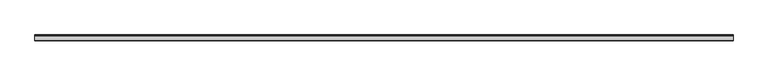
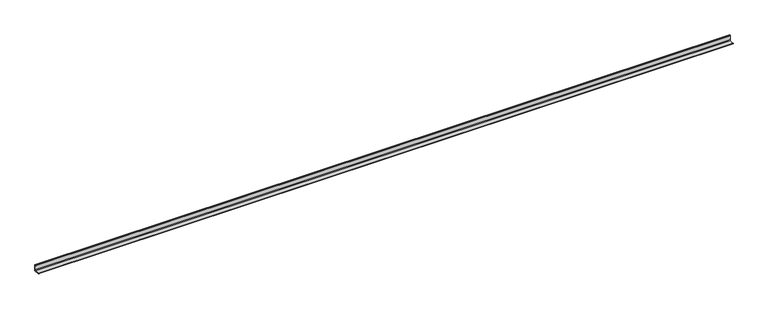
"""IFC4 building model written with IfcOpenShell, lengths in millimetres: beam geometry."""

from ifc_helpers import new_model, si_unit, point, frame, frame_2d, origin, place, context, project, spatial, polyline, circle_curve, trimmed, segment, composite_curve, outline, extrude, source, transform, mapped, element, save


def beam_36c65ba9(model_context):
    return source(origin(), model_context, "Body", "SweptSolid", [
        extrude(outline(composite_curve([segment(polyline([(21.3, -21.3), (-53.7, -21.3), (-53.7, -18.3)]), True, "CONTINUOUS"), segment(trimmed(circle_curve(frame_2d((-48.7, -18.3)), 5.0), [point((-53.7, -18.3))], [point((-48.7, -13.3))], False, "CARTESIAN"), True, "CONTINUOUS"), segment(polyline([(-48.7, -13.3), (5.3, -13.3)]), True, "CONTINUOUS"), segment(trimmed(circle_curve(frame_2d((5.3, -5.3)), 8.0), [point((5.3, -13.3))], [point((13.3, -5.3))], True, "CARTESIAN"), True, "CONTINUOUS"), segment(polyline([(13.3, -5.3), (13.3, 48.7)]), True, "CONTINUOUS"), segment(trimmed(circle_curve(frame_2d((18.3, 48.7)), 5.0), [point((13.3, 48.7))], [point((18.3, 53.7))], False, "CARTESIAN"), True, "CONTINUOUS"), segment(polyline([(18.3, 53.7), (21.3, 53.7), (21.3, -21.3)]), True, "CONTINUOUS")], self_intersect=False)), frame((-4498.5, 0.0, 0.0), z_axis=(1.0, 0.0, 0.0), x_axis=(0.0, 1.0, 0.0)), (0.0, 0.0, 1.0), 8863.0),
    ])


if __name__ == "__main__":
    model = new_model("IFC4")
    model_context = context("Model", 3, world=origin())
    ifc_project = project(units=[si_unit("LENGTHUNIT", "METRE", prefix="MILLI")], contexts=[model_context])
    site = spatial("IfcSite", under=ifc_project)
    building = spatial("IfcBuilding", under=site)
    placement = place(None, origin())
    beam_shape = beam_36c65ba9(model_context)
    element("IfcBeam", 1, at=placement, inside=building, context=model_context, shape_type="MappedRepresentation", body=[
        mapped(beam_shape, transform((0.0, 0.0, 0.0), x_axis=(1.0, 0.0, 0.0), y_axis=(0.0, 1.0, 0.0), z_axis=(0.0, 0.0, 1.0))),
    ])
    save(model, "model.ifc")
